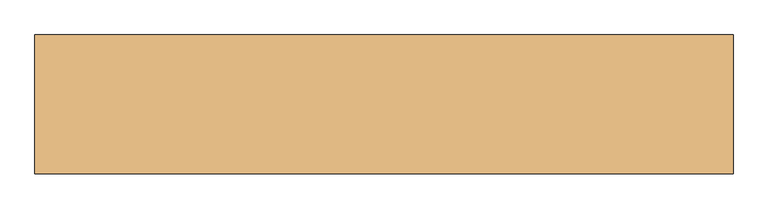
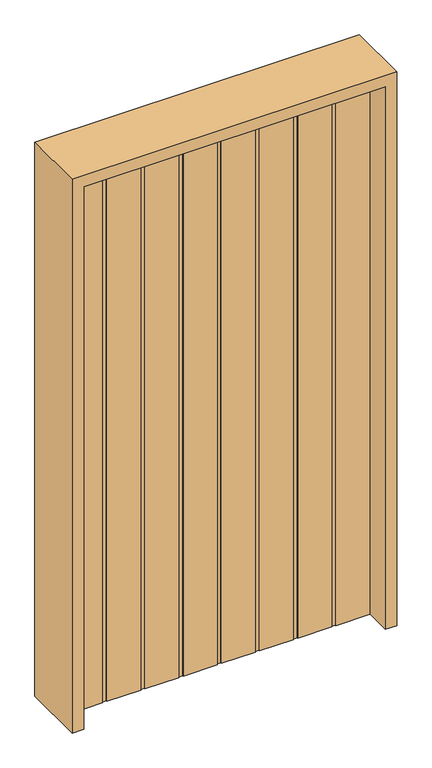
"""IFC4 building model written with IfcOpenShell, lengths in millimetres: door geometry."""

from ifc_helpers import new_model, si_unit, frame, origin, origin_with_axes, place, context, project, spatial, polyline, outline, extrude, source, transform, mapped, element, save


def door_87595ca8(model_context):
    return source(origin(), model_context, "Body", "SweptSolid", [
        extrude(outline(polyline([(-533.4, -20.6375), (-533.4, 20.6375), (-413.2460938, 20.6375), (-413.2460938, 17.4625), (-397.9664063, 17.4625), (-397.9664063, 20.6375), (-278.0440104, 20.6375), (-278.0440104, 17.4625), (-262.7643229, 17.4625), (-262.7643229, 20.6375), (-142.8419271, 20.6375), (-142.8419271, 17.4625), (-127.5622396, 17.4625), (-127.5622396, 20.6375), (-7.6398438, 20.6375), (-7.6398438, 17.4625), (7.6398437, 17.4625), (7.6398437, 20.6375), (127.5622396, 20.6375), (127.5622396, 17.4625), (142.8419271, 17.4625), (142.8419271, 20.6375), (262.7643229, 20.6375), (262.7643229, 17.4625), (278.0440104, 17.4625), (278.0440104, 20.6375), (397.9664062, 20.6375), (397.9664062, 17.4625), (413.2460937, 17.4625), (413.2460937, 20.6375), (533.4, 20.6375), (533.4, -20.6375), (413.2460937, -20.6375), (413.2460937, -17.4625), (397.9664062, -17.4625), (397.9664062, -20.6375), (278.0440104, -20.6375), (278.0440104, -17.4625), (262.7643229, -17.4625), (262.7643229, -20.6375), (142.8419271, -20.6375), (142.8419271, -17.4625), (127.5622396, -17.4625), (127.5622396, -20.6375), (7.6398437, -20.6375), (7.6398437, -17.4625), (-7.6398438, -17.4625), (-7.6398438, -20.6375), (-127.5622396, -20.6375), (-127.5622396, -17.4625), (-142.8419271, -17.4625), (-142.8419271, -20.6375), (-262.7643229, -20.6375), (-262.7643229, -17.4625), (-278.0440104, -17.4625), (-278.0440104, -20.6375), (-397.9664063, -20.6375), (-397.9664063, -17.4625), (-413.2460938, -17.4625), (-413.2460938, -20.6375), (-533.4, -20.6375)])), origin_with_axes(), (0.0, 0.0, 1.0), 2032.0),
        extrude(outline(polyline([(2073.275, -574.675), (0.0, -574.675), (0.0, -533.4), (2032.0, -533.4), (2032.0, 533.4), (0.0, 533.4), (0.0, 574.675), (2073.275, 574.675), (2073.275, -574.675)])), frame((0.0, -114.3, 0.0), z_axis=(0.0, 1.0, 0.0), x_axis=(0.0, 0.0, 1.0)), (0.0, 0.0, 1.0), 228.6),
    ])


if __name__ == "__main__":
    model = new_model("IFC4")
    model_context = context("Model", 3, world=origin())
    ifc_project = project(units=[si_unit("LENGTHUNIT", "METRE", prefix="MILLI")], contexts=[model_context])
    site = spatial("IfcSite", under=ifc_project)
    building = spatial("IfcBuilding", under=site)
    placement = place(None, origin())
    door_shape = door_87595ca8(model_context)
    element("IfcDoor", 1, at=placement, inside=building, context=model_context, shape_type="MappedRepresentation", body=[
        mapped(door_shape, transform((0.0, 0.0, 0.0), x_axis=(1.0, 0.0, 0.0), y_axis=(0.0, 1.0, 0.0), z_axis=(0.0, 0.0, 1.0))),
    ])
    save(model, "model.ifc")
